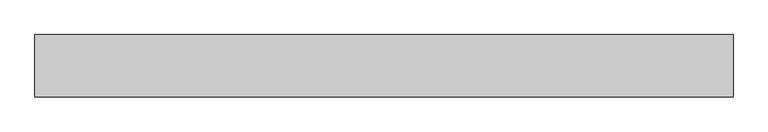
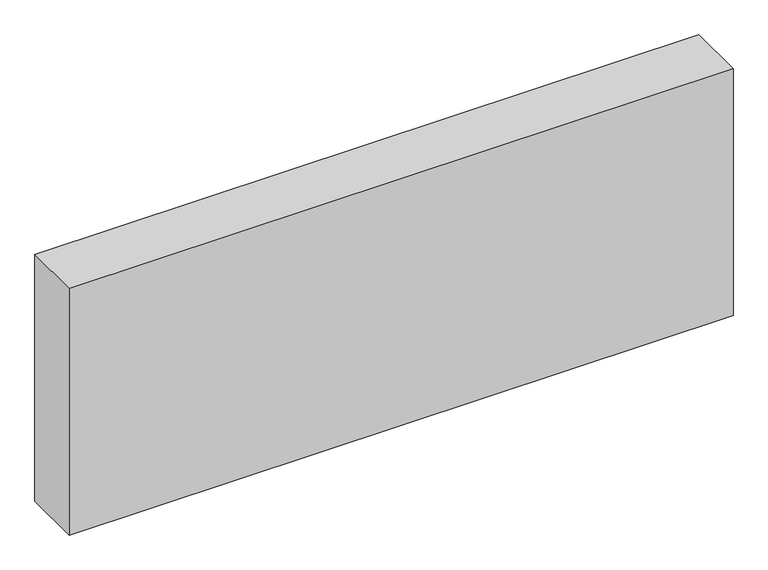
"""IFC4 building model written with IfcOpenShell, lengths in millimetres: geographic element geometry."""

from ifc_helpers import new_model, si_unit, origin, origin_with_axes, place, context, project, spatial, polyline, outline, extrude, source, transform, mapped, element, save


def geographic_element_2b4dfd8c(model_context):
    return source(origin(), model_context, "Body", "SweptSolid", [
        extrude(outline(polyline([(1400.0, 125.0), (1400.0, -125.0), (-1400.0, -125.0), (-1400.0, 125.0), (1400.0, 125.0)])), origin_with_axes(), (0.0, 0.0, 1.0), 1100.0),
    ])


if __name__ == "__main__":
    model = new_model("IFC4")
    model_context = context("Model", 3, world=origin())
    ifc_project = project(units=[si_unit("LENGTHUNIT", "METRE", prefix="MILLI")], contexts=[model_context])
    site = spatial("IfcSite", under=ifc_project)
    building = spatial("IfcBuilding", under=site)
    placement = place(None, origin())
    geographic_element_shape = geographic_element_2b4dfd8c(model_context)
    element("IfcGeographicElement", 1, at=placement, inside=building, context=model_context, shape_type="MappedRepresentation", body=[
        mapped(geographic_element_shape, transform((0.0, 0.0, 0.0), x_axis=(1.0, 0.0, 0.0), y_axis=(0.0, 1.0, 0.0), z_axis=(0.0, 0.0, 1.0))),
    ])
    save(model, "model.ifc")
